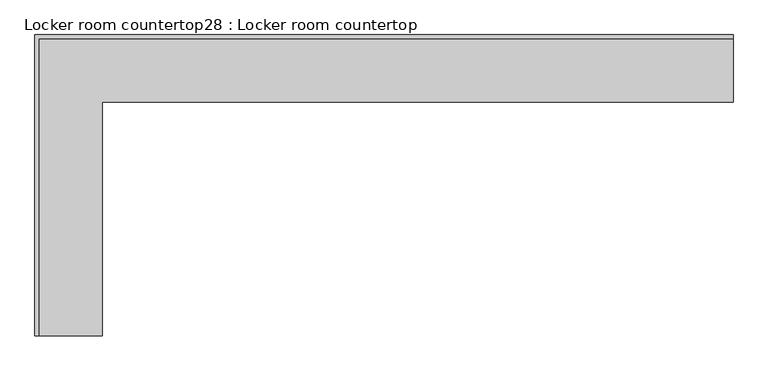
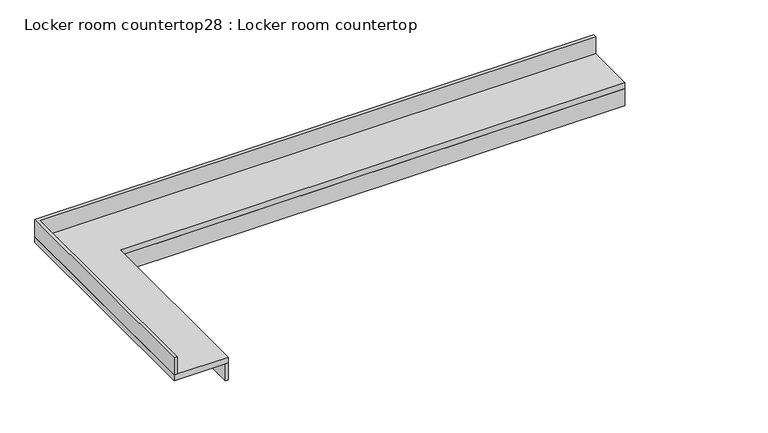
"""IFC4 building model written with IfcOpenShell, lengths in millimetres: furniture geometry, Locker room countertop28 : Locker room countertop."""

from ifc_helpers import new_model, si_unit, frame, origin, place, context, project, spatial, polyline, outline, extrude, source, transform, mapped, element, save


def locker_room_countertop28_locker_room_countertop_97b1fc05(model_context):
    return source(origin(), model_context, "Body", "SweptSolid", [
        extrude(outline(polyline([(454082.2522093, -172576.3455223), (454082.2522093, -174159.0830223), (454056.8522093, -174159.0830223), (454056.8522093, -172550.9455223), (458349.4522093, -172550.9455223), (458349.4522093, -172576.3455223), (454082.2522093, -172576.3455223)])), frame((0.0, 0.0, 660.4), z_axis=(0.0, 0.0, 1.0), x_axis=(1.0, 0.0, 0.0)), (0.0, 0.0, 1.0), 152.4),
        extrude(outline(polyline([(458349.4522093, -172144.5455223), (453650.4522093, -172144.5455223), (453650.4522093, -174159.0830223), (453625.0522093, -174159.0830223), (453625.0522093, -172119.1455223), (458349.4522093, -172119.1455223), (458349.4522093, -172144.5455223)])), frame((0.0, 0.0, 863.6), z_axis=(0.0, 0.0, 1.0), x_axis=(1.0, 0.0, 0.0)), (0.0, 0.0, 1.0), 152.4),
        extrude(outline(polyline([(458349.4522093, -172576.3455223), (454082.2522093, -172576.3455223), (454082.2522093, -174159.0830223), (453625.0522093, -174159.0830223), (453625.0522093, -172119.1455223), (458349.4522093, -172119.1455223), (458349.4522093, -172576.3455223)])), frame((0.0, 0.0, 812.8), z_axis=(0.0, 0.0, 1.0), x_axis=(1.0, 0.0, 0.0)), (0.0, 0.0, 1.0), 50.8),
    ])


if __name__ == "__main__":
    model = new_model("IFC4")
    model_context = context("Model", 3, world=origin())
    ifc_project = project(units=[si_unit("LENGTHUNIT", "METRE", prefix="MILLI")], contexts=[model_context])
    site = spatial("IfcSite", under=ifc_project)
    building = spatial("IfcBuilding", under=site)
    placement = place(None, origin())
    locker_room_countertop28_locker_room_countertop_shape = locker_room_countertop28_locker_room_countertop_97b1fc05(model_context)
    element("IfcFurniture", 1, ObjectType="Locker room countertop28 : Locker room countertop", at=placement, inside=building, context=model_context, shape_type="MappedRepresentation", body=[
        mapped(locker_room_countertop28_locker_room_countertop_shape, transform((0.0, 0.0, 0.0), x_axis=(1.0, 0.0, 0.0), y_axis=(0.0, 1.0, 0.0), z_axis=(0.0, 0.0, 1.0))),
    ])
    save(model, "model.ifc")
